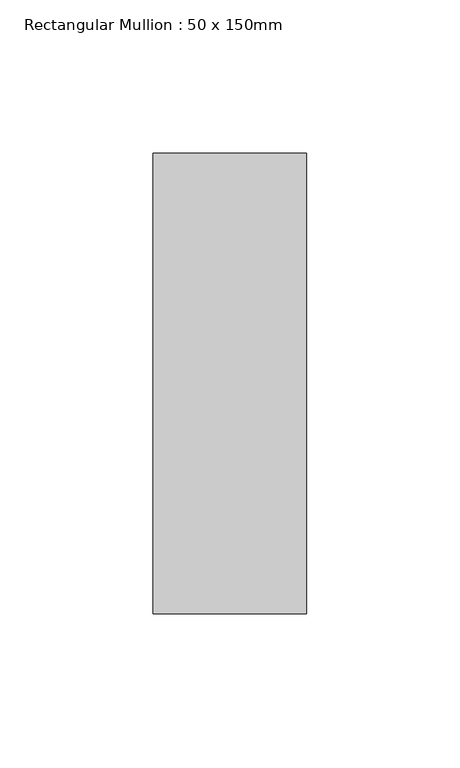
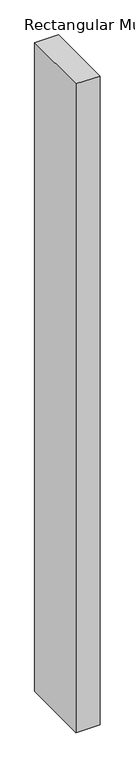
"""IFC4 building model written with IfcOpenShell, lengths in millimetres: member geometry, Rectangular Mullion : 50 x 150mm."""

from ifc_helpers import new_model, si_unit, frame, origin, place, context, project, spatial, polyline, outline, extrude, source, transform, mapped, element, save


def rectangular_mullion_50_x_150mm_25584f9d(model_context):
    return source(origin(), model_context, "Body", "SweptSolid", [
        extrude(outline(polyline([(25.0, 75.0), (25.0, -75.0), (-25.0, -75.0), (-25.0, 75.0), (25.0, 75.0)])), frame((0.0, 0.0, -1435.3121686), z_axis=(0.0, 0.0, 1.0), x_axis=(1.0, 0.0, 0.0)), (0.0, 0.0, 1.0), 1435.3121686),
    ])


if __name__ == "__main__":
    model = new_model("IFC4")
    model_context = context("Model", 3, world=origin())
    ifc_project = project(units=[si_unit("LENGTHUNIT", "METRE", prefix="MILLI")], contexts=[model_context])
    site = spatial("IfcSite", under=ifc_project)
    building = spatial("IfcBuilding", under=site)
    placement = place(None, origin())
    rectangular_mullion_50_x_150mm_shape = rectangular_mullion_50_x_150mm_25584f9d(model_context)
    element("IfcMember", 1, ObjectType="Rectangular Mullion : 50 x 150mm", at=placement, inside=building, context=model_context, shape_type="MappedRepresentation", body=[
        mapped(rectangular_mullion_50_x_150mm_shape, transform((0.0, 0.0, 0.0), x_axis=(1.0, 0.0, 0.0), y_axis=(0.0, 1.0, 0.0), z_axis=(0.0, 0.0, 1.0))),
    ])
    save(model, "model.ifc")
